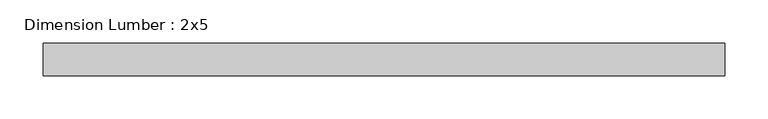
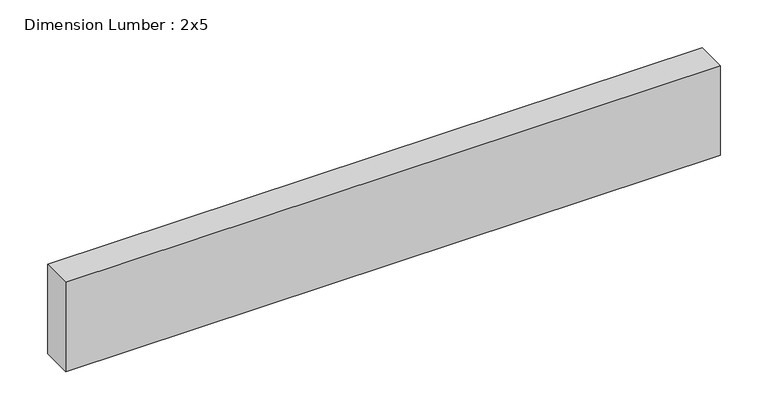
"""IFC4 building model written with IfcOpenShell, lengths in millimetres: beam geometry, Dimension Lumber : 2x5."""

from ifc_helpers import new_model, si_unit, frame, origin, place, context, project, spatial, polyline, outline, extrude, source, transform, mapped, element, save


def dimension_lumber_2x5_0e859121(model_context):
    return source(origin(), model_context, "Body", "SweptSolid", [
        extrude(outline(polyline([(395.9882069, 19.05), (395.9882069, -19.05), (-395.9882069, -19.05), (-395.9882069, 19.05), (395.9882069, 19.05)])), frame((0.0, 0.0, -57.15), z_axis=(0.0, 0.0, 1.0), x_axis=(1.0, 0.0, 0.0)), (0.0, 0.0, 1.0), 114.3),
    ])


if __name__ == "__main__":
    model = new_model("IFC4")
    model_context = context("Model", 3, world=origin())
    ifc_project = project(units=[si_unit("LENGTHUNIT", "METRE", prefix="MILLI")], contexts=[model_context])
    site = spatial("IfcSite", under=ifc_project)
    building = spatial("IfcBuilding", under=site)
    placement = place(None, origin())
    dimension_lumber_2x5_shape = dimension_lumber_2x5_0e859121(model_context)
    element("IfcBeam", 1, ObjectType="Dimension Lumber : 2x5", at=placement, inside=building, context=model_context, shape_type="MappedRepresentation", body=[
        mapped(dimension_lumber_2x5_shape, transform((0.0, 0.0, 0.0), x_axis=(1.0, 0.0, 0.0), y_axis=(0.0, 1.0, 0.0), z_axis=(0.0, 0.0, 1.0))),
    ])
    save(model, "model.ifc")
